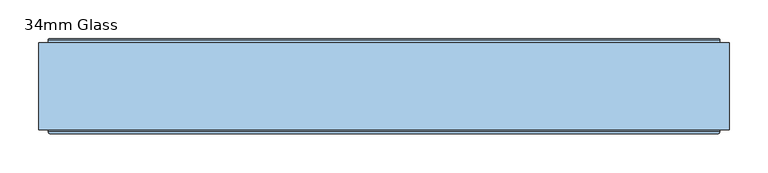
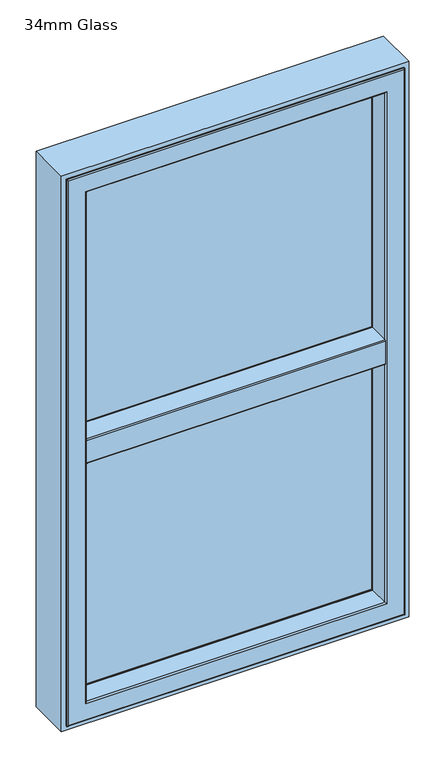
"""IFC4 building model written with IfcOpenShell, lengths in millimetres: window geometry, 34mm Glass."""

from ifc_helpers import new_model, si_unit, frame, origin, place, context, project, spatial, polyline, circle_curve, ellipse_curve, outline, extrude, source, transform, mapped, element, save
from ifc_brep_helpers import plane_surface, cylinder_surface, revolved_surface, advanced_brep


def window_34mm_glass_602d5171(model_context):
    return source(origin(), model_context, "Body", "SolidModel", [
        extrude(outline(polyline([(396.0, 94.010944), (-396.0, 94.010944), (-396.0, 128.010944), (396.0, 128.010944), (396.0, 94.010944)])), frame((0.0, 0.0, 1557.0), z_axis=(0.0, 0.0, 1.0), x_axis=(1.0, 0.0, 0.0)), (0.0, 0.0, 1.0), 695.0),
        advanced_brep(
        [(382.0, 129.3448353, 2238.0), (389.1686313, 152.7923717, 2245.1686313), (389.1686313, 152.7923717, 1563.8313687), (382.0, 129.3448353, 1571.0), (382.0, 128.010944, 2238.0), (382.0, 128.010944, 1571.0), (396.0, 94.0, 2252.0), (396.0, 128.010944, 2252.0), (396.0, 128.010944, 1557.0), (396.0, 94.0, 1557.0), (382.0, 91.0, 2238.0), (382.0, 94.0, 2238.0), (382.0, 94.0, 1571.0), (382.0, 91.0, 1571.0), (406.822025, 146.5609347, 2262.822025), (400.0, 91.0, 2256.0), (400.0, 91.0, 1553.0), (406.822025, 146.5609347, 1546.177975), (407.6, 148.2, 2263.6), (407.6, 148.2, 1545.4), (407.6, 151.5, 2263.6), (407.6, 151.5, 1545.4), (403.22, 152.5, 2259.22), (403.22, 151.5, 2259.22), (403.22, 151.5, 1549.78), (403.22, 152.5, 1549.78), (402.22, 153.5, 2258.22), (402.22, 153.5, 1550.78), (390.124936, 153.5, 2246.124936), (390.124936, 153.5, 1562.875064), (-389.1686313, 152.7923717, 1563.8313687), (-382.0, 129.3448353, 1571.0), (-382.0, 128.010944, 1571.0), (-396.0, 128.010944, 1557.0), (-396.0, 94.0, 1557.0), (-382.0, 94.0, 1571.0), (-382.0, 91.0, 1571.0), (-400.0, 91.0, 1553.0), (-406.822025, 146.5609347, 1546.177975), (-407.6, 148.2, 1545.4), (-407.6, 151.5, 1545.4), (-403.22, 151.5, 1549.78), (-403.22, 152.5, 1549.78), (-402.22, 153.5, 1550.78), (-390.124936, 153.5, 1562.875064), (-389.1686313, 152.7923717, 2245.1686313), (-382.0, 129.3448353, 2238.0), (-382.0, 128.010944, 2238.0), (-396.0, 128.010944, 2252.0), (-396.0, 94.0, 2252.0), (-382.0, 94.0, 2238.0), (-382.0, 91.0, 2238.0), (-400.0, 91.0, 2256.0), (-406.822025, 146.5609347, 2262.822025), (-407.6, 148.2, 2263.6), (-407.6, 151.5, 2263.6), (-403.22, 151.5, 2259.22), (-403.22, 152.5, 2259.22), (-402.22, 153.5, 2258.22), (-390.124936, 153.5, 2246.124936)],
        [
            (0, 1),
            (1, 2),
            (2, 3),
            (3, 0),
            (4, 0),
            (3, 5),
            (5, 4),
            (6, 7),
            (7, 8),
            (8, 9),
            (9, 6),
            (10, 11),
            (11, 12),
            (12, 13),
            (13, 10),
            (14, 15),
            (15, 16),
            (16, 17),
            (17, 14),
            (18, 14),
            (17, 19),
            (19, 18),
            (20, 18),
            (19, 21),
            (21, 20),
            (22, 23),
            (23, 24),
            (24, 25),
            (25, 22),
            (26, 22, ellipse_curve(frame((402.22, 152.5, 2258.22), z_axis=(0.7071067811865475, 0.0, -0.7071067811865475), x_axis=(0.7071067811865474, 0.0, 0.7071067811865476)), 1.4142136, 1.0)),
            (25, 27, ellipse_curve(frame((402.22, 152.5, 1550.78), z_axis=(0.7071067811865475, 0.0, 0.7071067811865475), x_axis=(-0.7071067811865474, 0.0, 0.7071067811865476)), 1.4142136, 1.0)),
            (27, 26),
            (1, 28, ellipse_curve(frame((390.124936, 152.5, 2246.124936), z_axis=(0.7071067811865475, 0.0, -0.7071067811865475), x_axis=(0.7071067811865474, 0.0, 0.7071067811865476)), 1.4142136, 1.0)),
            (28, 29),
            (29, 2, ellipse_curve(frame((390.124936, 152.5, 1562.875064), z_axis=(0.7071067811865475, 0.0, 0.7071067811865475), x_axis=(-0.7071067811865474, 0.0, 0.7071067811865476)), 1.4142136, 1.0)),
            (2, 30),
            (30, 31),
            (31, 3),
            (31, 32),
            (32, 5),
            (8, 33),
            (33, 34),
            (34, 9),
            (12, 35),
            (35, 36),
            (36, 13),
            (16, 37),
            (37, 38),
            (38, 17),
            (38, 39),
            (39, 19),
            (39, 40),
            (40, 21),
            (24, 41),
            (41, 42),
            (42, 25),
            (42, 43, ellipse_curve(frame((-402.22, 152.5, 1550.78), z_axis=(0.7071067811865475, 0.0, -0.7071067811865475), x_axis=(0.7071067811865476, 0.0, 0.7071067811865474)), 1.4142136, 1.0)),
            (43, 27),
            (29, 44),
            (44, 30, ellipse_curve(frame((-390.124936, 152.5, 1562.875064), z_axis=(0.7071067811865475, 0.0, -0.7071067811865475), x_axis=(0.7071067811865476, 0.0, 0.7071067811865474)), 1.4142136, 1.0)),
            (30, 45),
            (45, 46),
            (46, 31),
            (46, 47),
            (47, 32),
            (33, 48),
            (48, 49),
            (49, 34),
            (35, 50),
            (50, 51),
            (51, 36),
            (37, 52),
            (52, 53),
            (53, 38),
            (53, 54),
            (54, 39),
            (54, 55),
            (55, 40),
            (41, 56),
            (56, 57),
            (57, 42),
            (57, 58, ellipse_curve(frame((-402.22, 152.5, 2258.22), z_axis=(-0.7071067811865475, 0.0, -0.7071067811865475), x_axis=(0.7071067811865474, 0.0, -0.7071067811865476)), 1.4142136, 1.0)),
            (58, 43),
            (44, 59),
            (59, 45, ellipse_curve(frame((-390.124936, 152.5, 2246.124936), z_axis=(-0.7071067811865475, 0.0, -0.7071067811865475), x_axis=(0.7071067811865474, 0.0, -0.7071067811865476)), 1.4142136, 1.0)),
            (45, 1),
            (0, 46),
            (4, 47),
            (7, 48),
            (6, 49),
            (11, 50),
            (10, 51),
            (15, 52),
            (14, 53),
            (18, 54),
            (20, 55),
            (23, 56),
            (22, 57),
            (26, 58),
            (28, 59),
        ],
        [
            plane_surface(frame((389.1686313, 152.7923717, 2245.1686313), z_axis=(-0.956304755963033, 0.292371704722745, 0.0), x_axis=(0.0, 0.0, -1.0))),
            plane_surface(frame((382.0, 129.3448353, 2238.0), z_axis=(-1.0, 0.0, 0.0), x_axis=(0.0, 0.0, -1.0))),
            plane_surface(frame((396.0, 128.010944, 2252.0), z_axis=(-1.0, 0.0, 0.0), x_axis=(0.0, 0.0, -1.0))),
            plane_surface(frame((382.0, 94.0, 2238.0), z_axis=(-1.0, 0.0, 0.0), x_axis=(0.0, 0.0, -1.0))),
            plane_surface(frame((400.0, 91.0, 2256.0), z_axis=(0.9925461516413232, -0.1218693434051386, 0.0), x_axis=(0.0, 0.0, -1.0))),
            plane_surface(frame((406.822025, 146.5609347, 2262.822025), z_axis=(0.9034015732556399, -0.4287955193786835, 0.0), x_axis=(0.0, 0.0, -1.0))),
            plane_surface(frame((407.6, 148.2, 2263.6), z_axis=(1.0, 0.0, 0.0), x_axis=(0.0, 0.0, -1.0))),
            plane_surface(frame((403.22, 151.5, 2259.22), z_axis=(1.0, 0.0, 0.0), x_axis=(0.0, 0.0, -1.0))),
            cylinder_surface(frame((402.22, 152.5, 2288.0), z_axis=(0.0, 0.0, 1.0), x_axis=(0.0, -1.0, 0.0)), 1.0),
            cylinder_surface(frame((390.124936, 152.5, 2288.0), z_axis=(0.0, 0.0, 1.0), x_axis=(0.0, -1.0, 0.0)), 1.0),
            plane_surface(frame((389.1686313, 152.7923717, 1563.8313687), z_axis=(0.0, 0.292371704722745, 0.956304755963033), x_axis=(-1.0, 0.0, 0.0))),
            plane_surface(frame((382.0, 129.3448353, 1571.0), z_axis=(0.0, 0.0, 1.0), x_axis=(-1.0, 0.0, 0.0))),
            plane_surface(frame((396.0, 128.010944, 1557.0), z_axis=(0.0, 0.0, 1.0), x_axis=(-1.0, 0.0, 0.0))),
            plane_surface(frame((382.0, 94.0, 1571.0), z_axis=(0.0, 0.0, 1.0), x_axis=(-1.0, 0.0, 0.0))),
            plane_surface(frame((400.0, 91.0, 1553.0), z_axis=(0.0, -0.1218693434051386, -0.9925461516413232), x_axis=(-1.0, 0.0, 0.0))),
            plane_surface(frame((406.822025, 146.5609347, 1546.177975), z_axis=(0.0, -0.4287955193786835, -0.9034015732556399), x_axis=(-1.0, 0.0, 0.0))),
            plane_surface(frame((407.6, 148.2, 1545.4), z_axis=(0.0, 0.0, -1.0), x_axis=(-1.0, 0.0, 0.0))),
            plane_surface(frame((403.22, 151.5, 1549.78), z_axis=(0.0, 0.0, -1.0), x_axis=(-1.0, 0.0, 0.0))),
            cylinder_surface(frame((432.0, 152.5, 1550.78), z_axis=(1.0, 0.0, 0.0), x_axis=(0.0, -1.0, 0.0)), 1.0),
            cylinder_surface(frame((432.0, 152.5, 1562.875064), z_axis=(1.0, 0.0, 0.0), x_axis=(0.0, -1.0, 0.0)), 1.0),
            plane_surface(frame((-389.1686313, 152.7923717, 1563.8313687), z_axis=(0.956304755963033, 0.292371704722745, 0.0), x_axis=(0.0, 0.0, 1.0))),
            plane_surface(frame((-382.0, 129.3448353, 1571.0), z_axis=(1.0, 0.0, 0.0), x_axis=(0.0, 0.0, 1.0))),
            plane_surface(frame((-396.0, 128.010944, 1557.0), z_axis=(1.0, 0.0, 0.0), x_axis=(0.0, 0.0, 1.0))),
            plane_surface(frame((-382.0, 94.0, 1571.0), z_axis=(1.0, 0.0, 0.0), x_axis=(0.0, 0.0, 1.0))),
            plane_surface(frame((-400.0, 91.0, 1553.0), z_axis=(-0.9925461516413232, -0.1218693434051386, 0.0), x_axis=(0.0, 0.0, 1.0))),
            plane_surface(frame((-406.822025, 146.5609347, 1546.177975), z_axis=(-0.9034015732556399, -0.4287955193786835, 0.0), x_axis=(0.0, 0.0, 1.0))),
            plane_surface(frame((-407.6, 148.2, 1545.4), z_axis=(-1.0, 0.0, 0.0), x_axis=(0.0, 0.0, 1.0))),
            plane_surface(frame((-403.22, 151.5, 1549.78), z_axis=(-1.0, 0.0, 0.0), x_axis=(0.0, 0.0, 1.0))),
            cylinder_surface(frame((-402.22, 152.5, 1521.0), z_axis=(0.0, 0.0, -1.0), x_axis=(0.0, -1.0, 0.0)), 1.0),
            cylinder_surface(frame((-390.124936, 152.5, 1521.0), z_axis=(0.0, 0.0, -1.0), x_axis=(0.0, -1.0, 0.0)), 1.0),
            plane_surface(frame((-389.1686313, 152.7923717, 2245.1686313), z_axis=(0.0, 0.292371704722745, -0.956304755963033), x_axis=(1.0, 0.0, 0.0))),
            plane_surface(frame((-382.0, 129.3448353, 2238.0), z_axis=(0.0, 0.0, -1.0), x_axis=(1.0, 0.0, 0.0))),
            plane_surface(frame((-382.0, 128.010944, 2238.0), z_axis=(0.0, -1.0, 0.0), x_axis=(1.0, 0.0, 0.0))),
            plane_surface(frame((-396.0, 128.010944, 2252.0), z_axis=(0.0, 0.0, -1.0), x_axis=(1.0, 0.0, 0.0))),
            plane_surface(frame((-396.0, 94.0, 2252.0), z_axis=(0.0, 1.0, 0.0), x_axis=(1.0, 0.0, 0.0))),
            plane_surface(frame((-382.0, 94.0, 2238.0), z_axis=(0.0, 0.0, -1.0), x_axis=(1.0, 0.0, 0.0))),
            plane_surface(frame((-382.0, 91.0, 2238.0), z_axis=(0.0, -1.0, 0.0), x_axis=(1.0, 0.0, 0.0))),
            plane_surface(frame((-400.0, 91.0, 2256.0), z_axis=(0.0, -0.1218693434051386, 0.9925461516413232), x_axis=(1.0, 0.0, 0.0))),
            plane_surface(frame((-406.822025, 146.5609347, 2262.822025), z_axis=(0.0, -0.4287955193786835, 0.9034015732556399), x_axis=(1.0, 0.0, 0.0))),
            plane_surface(frame((-407.6, 148.2, 2263.6), z_axis=(0.0, 0.0, 1.0), x_axis=(1.0, 0.0, 0.0))),
            plane_surface(frame((-407.6, 151.5, 2263.6), z_axis=(0.0, 1.0, 0.0), x_axis=(1.0, 0.0, 0.0))),
            plane_surface(frame((-403.22, 151.5, 2259.22), z_axis=(0.0, 0.0, 1.0), x_axis=(1.0, 0.0, 0.0))),
            cylinder_surface(frame((-432.0, 152.5, 2258.22), z_axis=(-1.0, 0.0, 0.0), x_axis=(0.0, -1.0, 0.0)), 1.0),
            plane_surface(frame((-402.22, 153.5, 2258.22), z_axis=(0.0, 1.0, 0.0), x_axis=(1.0, 0.0, 0.0))),
            cylinder_surface(frame((-432.0, 152.5, 2246.124936), z_axis=(-1.0, 0.0, 0.0), x_axis=(0.0, -1.0, 0.0)), 1.0),
        ],
        [
            (0, [[1, 2, 3, 4]]),
            (1, [[5, -4, 6, 7]]),
            (2, [[8, 9, 10, 11]]),
            (3, [[12, 13, 14, 15]]),
            (4, [[16, 17, 18, 19]]),
            (5, [[20, -19, 21, 22]]),
            (6, [[23, -22, 24, 25]]),
            (7, [[26, 27, 28, 29]]),
            (8, [[30, -29, 31, 32]]),
            (9, [[33, 34, 35, -2]]),
            (10, [[-3, 36, 37, 38]]),
            (11, [[-6, -38, 39, 40]]),
            (12, [[-10, 41, 42, 43]]),
            (13, [[-14, 44, 45, 46]]),
            (14, [[-18, 47, 48, 49]]),
            (15, [[-21, -49, 50, 51]]),
            (16, [[-24, -51, 52, 53]]),
            (17, [[-28, 54, 55, 56]]),
            (18, [[-31, -56, 57, 58]]),
            (19, [[-35, 59, 60, -36]]),
            (20, [[-37, 61, 62, 63]]),
            (21, [[-39, -63, 64, 65]]),
            (22, [[-42, 66, 67, 68]]),
            (23, [[-45, 69, 70, 71]]),
            (24, [[-48, 72, 73, 74]]),
            (25, [[-50, -74, 75, 76]]),
            (26, [[-52, -76, 77, 78]]),
            (27, [[-55, 79, 80, 81]]),
            (28, [[-57, -81, 82, 83]]),
            (29, [[-60, 84, 85, -61]]),
            (30, [[-62, 86, -1, 87]]),
            (31, [[-64, -87, -5, 88]]),
            (32, [[89, -66, -41, -9], [-40, -65, -88, -7]]),
            (33, [[-67, -89, -8, 90]]),
            (34, [[-43, -68, -90, -11], [91, -69, -44, -13]]),
            (35, [[-70, -91, -12, 92]]),
            (36, [[93, -72, -47, -17], [-46, -71, -92, -15]]),
            (37, [[-73, -93, -16, 94]]),
            (38, [[-75, -94, -20, 95]]),
            (39, [[-77, -95, -23, 96]]),
            (40, [[-53, -78, -96, -25], [97, -79, -54, -27]]),
            (41, [[-80, -97, -26, 98]]),
            (42, [[-82, -98, -30, 99]]),
            (43, [[-58, -83, -99, -32], [100, -84, -59, -34]]),
            (44, [[-85, -100, -33, -86]]),
        ],
    ),
        extrude(outline(polyline([(396.0, 94.010944), (-396.0, 94.010944), (-396.0, 128.010944), (396.0, 128.010944), (396.0, 94.010944)])), frame((0.0, 0.0, 848.0), z_axis=(0.0, 0.0, 1.0), x_axis=(1.0, 0.0, 0.0)), (0.0, 0.0, 1.0), 671.0),
        advanced_brep(
        [(382.0, 129.3448353, 1505.0), (389.1686313, 152.7923717, 1512.1686313), (389.1686313, 152.7923717, 854.8313687), (382.0, 129.3448353, 862.0), (382.0, 128.010944, 1505.0), (382.0, 128.010944, 862.0), (396.0, 94.0, 1519.0), (396.0, 128.010944, 1519.0), (396.0, 128.010944, 848.0), (396.0, 94.0, 848.0), (382.0, 91.0, 1505.0), (382.0, 94.0, 1505.0), (382.0, 94.0, 862.0), (382.0, 91.0, 862.0), (406.822025, 146.5609347, 1529.822025), (400.0, 91.0, 1523.0), (400.0, 91.0, 844.0), (406.822025, 146.5609347, 837.177975), (407.6, 148.2, 1530.6), (407.6, 148.2, 836.4), (407.6, 151.5, 1530.6), (407.6, 151.5, 836.4), (403.22, 152.5, 1526.22), (403.22, 151.5, 1526.22), (403.22, 151.5, 840.78), (403.22, 152.5, 840.78), (402.22, 153.5, 1525.22), (402.22, 153.5, 841.78), (390.124936, 153.5, 1513.124936), (390.124936, 153.5, 853.875064), (-389.1686313, 152.7923717, 854.8313687), (-382.0, 129.3448353, 862.0), (-382.0, 128.010944, 862.0), (-396.0, 128.010944, 848.0), (-396.0, 94.0, 848.0), (-382.0, 94.0, 862.0), (-382.0, 91.0, 862.0), (-400.0, 91.0, 844.0), (-406.822025, 146.5609347, 837.177975), (-407.6, 148.2, 836.4), (-407.6, 151.5, 836.4), (-403.22, 151.5, 840.78), (-403.22, 152.5, 840.78), (-402.22, 153.5, 841.78), (-390.124936, 153.5, 853.875064), (-389.1686313, 152.7923717, 1512.1686313), (-382.0, 129.3448353, 1505.0), (-382.0, 128.010944, 1505.0), (-396.0, 128.010944, 1519.0), (-396.0, 94.0, 1519.0), (-382.0, 94.0, 1505.0), (-382.0, 91.0, 1505.0), (-400.0, 91.0, 1523.0), (-406.822025, 146.5609347, 1529.822025), (-407.6, 148.2, 1530.6), (-407.6, 151.5, 1530.6), (-403.22, 151.5, 1526.22), (-403.22, 152.5, 1526.22), (-402.22, 153.5, 1525.22), (-390.124936, 153.5, 1513.124936)],
        [
            (0, 1),
            (1, 2),
            (2, 3),
            (3, 0),
            (4, 0),
            (3, 5),
            (5, 4),
            (6, 7),
            (7, 8),
            (8, 9),
            (9, 6),
            (10, 11),
            (11, 12),
            (12, 13),
            (13, 10),
            (14, 15),
            (15, 16),
            (16, 17),
            (17, 14),
            (18, 14),
            (17, 19),
            (19, 18),
            (20, 18),
            (19, 21),
            (21, 20),
            (22, 23),
            (23, 24),
            (24, 25),
            (25, 22),
            (26, 22, ellipse_curve(frame((402.22, 152.5, 1525.22), z_axis=(0.7071067811865475, 0.0, -0.7071067811865475), x_axis=(0.7071067811865474, 0.0, 0.7071067811865476)), 1.4142136, 1.0)),
            (25, 27, ellipse_curve(frame((402.22, 152.5, 841.78), z_axis=(0.7071067811865475, 0.0, 0.7071067811865475), x_axis=(-0.7071067811865474, 0.0, 0.7071067811865476)), 1.4142136, 1.0)),
            (27, 26),
            (1, 28, ellipse_curve(frame((390.124936, 152.5, 1513.124936), z_axis=(0.7071067811865475, 0.0, -0.7071067811865475), x_axis=(0.7071067811865474, 0.0, 0.7071067811865476)), 1.4142136, 1.0)),
            (28, 29),
            (29, 2, ellipse_curve(frame((390.124936, 152.5, 853.875064), z_axis=(0.7071067811865475, 0.0, 0.7071067811865475), x_axis=(-0.7071067811865474, 0.0, 0.7071067811865476)), 1.4142136, 1.0)),
            (2, 30),
            (30, 31),
            (31, 3),
            (31, 32),
            (32, 5),
            (8, 33),
            (33, 34),
            (34, 9),
            (12, 35),
            (35, 36),
            (36, 13),
            (16, 37),
            (37, 38),
            (38, 17),
            (38, 39),
            (39, 19),
            (39, 40),
            (40, 21),
            (24, 41),
            (41, 42),
            (42, 25),
            (42, 43, ellipse_curve(frame((-402.22, 152.5, 841.78), z_axis=(0.7071067811865475, 0.0, -0.7071067811865475), x_axis=(0.7071067811865476, 0.0, 0.7071067811865474)), 1.4142136, 1.0)),
            (43, 27),
            (29, 44),
            (44, 30, ellipse_curve(frame((-390.124936, 152.5, 853.875064), z_axis=(0.7071067811865475, 0.0, -0.7071067811865475), x_axis=(0.7071067811865476, 0.0, 0.7071067811865474)), 1.4142136, 1.0)),
            (30, 45),
            (45, 46),
            (46, 31),
            (46, 47),
            (47, 32),
            (33, 48),
            (48, 49),
            (49, 34),
            (35, 50),
            (50, 51),
            (51, 36),
            (37, 52),
            (52, 53),
            (53, 38),
            (53, 54),
            (54, 39),
            (54, 55),
            (55, 40),
            (41, 56),
            (56, 57),
            (57, 42),
            (57, 58, ellipse_curve(frame((-402.22, 152.5, 1525.22), z_axis=(-0.7071067811865475, 0.0, -0.7071067811865475), x_axis=(0.7071067811865474, 0.0, -0.7071067811865476)), 1.4142136, 1.0)),
            (58, 43),
            (44, 59),
            (59, 45, ellipse_curve(frame((-390.124936, 152.5, 1513.124936), z_axis=(-0.7071067811865475, 0.0, -0.7071067811865475), x_axis=(0.7071067811865474, 0.0, -0.7071067811865476)), 1.4142136, 1.0)),
            (45, 1),
            (0, 46),
            (4, 47),
            (7, 48),
            (6, 49),
            (11, 50),
            (10, 51),
            (15, 52),
            (14, 53),
            (18, 54),
            (20, 55),
            (23, 56),
            (22, 57),
            (26, 58),
            (28, 59),
        ],
        [
            plane_surface(frame((389.1686313, 152.7923717, 1512.1686313), z_axis=(-0.956304755963033, 0.292371704722745, 0.0), x_axis=(0.0, 0.0, -1.0))),
            plane_surface(frame((382.0, 129.3448353, 1505.0), z_axis=(-1.0, 0.0, 0.0), x_axis=(0.0, 0.0, -1.0))),
            plane_surface(frame((396.0, 128.010944, 1519.0), z_axis=(-1.0, 0.0, 0.0), x_axis=(0.0, 0.0, -1.0))),
            plane_surface(frame((382.0, 94.0, 1505.0), z_axis=(-1.0, 0.0, 0.0), x_axis=(0.0, 0.0, -1.0))),
            plane_surface(frame((400.0, 91.0, 1523.0), z_axis=(0.9925461516413232, -0.1218693434051386, 0.0), x_axis=(0.0, 0.0, -1.0))),
            plane_surface(frame((406.822025, 146.5609347, 1529.822025), z_axis=(0.9034015732556399, -0.4287955193786835, 0.0), x_axis=(0.0, 0.0, -1.0))),
            plane_surface(frame((407.6, 148.2, 1530.6), z_axis=(1.0, 0.0, 0.0), x_axis=(0.0, 0.0, -1.0))),
            plane_surface(frame((403.22, 151.5, 1526.22), z_axis=(1.0, 0.0, 0.0), x_axis=(0.0, 0.0, -1.0))),
            cylinder_surface(frame((402.22, 152.5, 1555.0), z_axis=(0.0, 0.0, 1.0), x_axis=(0.0, -1.0, 0.0)), 1.0),
            cylinder_surface(frame((390.124936, 152.5, 1555.0), z_axis=(0.0, 0.0, 1.0), x_axis=(0.0, -1.0, 0.0)), 1.0),
            plane_surface(frame((389.1686313, 152.7923717, 854.8313687), z_axis=(0.0, 0.292371704722745, 0.956304755963033), x_axis=(-1.0, 0.0, 0.0))),
            plane_surface(frame((382.0, 129.3448353, 862.0), z_axis=(0.0, 0.0, 1.0), x_axis=(-1.0, 0.0, 0.0))),
            plane_surface(frame((396.0, 128.010944, 848.0), z_axis=(0.0, 0.0, 1.0), x_axis=(-1.0, 0.0, 0.0))),
            plane_surface(frame((382.0, 94.0, 862.0), z_axis=(0.0, 0.0, 1.0), x_axis=(-1.0, 0.0, 0.0))),
            plane_surface(frame((400.0, 91.0, 844.0), z_axis=(0.0, -0.1218693434051386, -0.9925461516413232), x_axis=(-1.0, 0.0, 0.0))),
            plane_surface(frame((406.822025, 146.5609347, 837.177975), z_axis=(0.0, -0.4287955193786835, -0.9034015732556399), x_axis=(-1.0, 0.0, 0.0))),
            plane_surface(frame((407.6, 148.2, 836.4), z_axis=(0.0, 0.0, -1.0), x_axis=(-1.0, 0.0, 0.0))),
            plane_surface(frame((403.22, 151.5, 840.78), z_axis=(0.0, 0.0, -1.0), x_axis=(-1.0, 0.0, 0.0))),
            cylinder_surface(frame((432.0, 152.5, 841.78), z_axis=(1.0, 0.0, 0.0), x_axis=(0.0, -1.0, 0.0)), 1.0),
            cylinder_surface(frame((432.0, 152.5, 853.875064), z_axis=(1.0, 0.0, 0.0), x_axis=(0.0, -1.0, 0.0)), 1.0),
            plane_surface(frame((-389.1686313, 152.7923717, 854.8313687), z_axis=(0.956304755963033, 0.292371704722745, 0.0), x_axis=(0.0, 0.0, 1.0))),
            plane_surface(frame((-382.0, 129.3448353, 862.0), z_axis=(1.0, 0.0, 0.0), x_axis=(0.0, 0.0, 1.0))),
            plane_surface(frame((-396.0, 128.010944, 848.0), z_axis=(1.0, 0.0, 0.0), x_axis=(0.0, 0.0, 1.0))),
            plane_surface(frame((-382.0, 94.0, 862.0), z_axis=(1.0, 0.0, 0.0), x_axis=(0.0, 0.0, 1.0))),
            plane_surface(frame((-400.0, 91.0, 844.0), z_axis=(-0.9925461516413232, -0.1218693434051386, 0.0), x_axis=(0.0, 0.0, 1.0))),
            plane_surface(frame((-406.822025, 146.5609347, 837.177975), z_axis=(-0.9034015732556399, -0.4287955193786835, 0.0), x_axis=(0.0, 0.0, 1.0))),
            plane_surface(frame((-407.6, 148.2, 836.4), z_axis=(-1.0, 0.0, 0.0), x_axis=(0.0, 0.0, 1.0))),
            plane_surface(frame((-403.22, 151.5, 840.78), z_axis=(-1.0, 0.0, 0.0), x_axis=(0.0, 0.0, 1.0))),
            cylinder_surface(frame((-402.22, 152.5, 812.0), z_axis=(0.0, 0.0, -1.0), x_axis=(0.0, -1.0, 0.0)), 1.0),
            cylinder_surface(frame((-390.124936, 152.5, 812.0), z_axis=(0.0, 0.0, -1.0), x_axis=(0.0, -1.0, 0.0)), 1.0),
            plane_surface(frame((-389.1686313, 152.7923717, 1512.1686313), z_axis=(0.0, 0.292371704722745, -0.956304755963033), x_axis=(1.0, 0.0, 0.0))),
            plane_surface(frame((-382.0, 129.3448353, 1505.0), z_axis=(0.0, 0.0, -1.0), x_axis=(1.0, 0.0, 0.0))),
            plane_surface(frame((-382.0, 128.010944, 1505.0), z_axis=(0.0, -1.0, 0.0), x_axis=(1.0, 0.0, 0.0))),
            plane_surface(frame((-396.0, 128.010944, 1519.0), z_axis=(0.0, 0.0, -1.0), x_axis=(1.0, 0.0, 0.0))),
            plane_surface(frame((-396.0, 94.0, 1519.0), z_axis=(0.0, 1.0, 0.0), x_axis=(1.0, 0.0, 0.0))),
            plane_surface(frame((-382.0, 94.0, 1505.0), z_axis=(0.0, 0.0, -1.0), x_axis=(1.0, 0.0, 0.0))),
            plane_surface(frame((-382.0, 91.0, 1505.0), z_axis=(0.0, -1.0, 0.0), x_axis=(1.0, 0.0, 0.0))),
            plane_surface(frame((-400.0, 91.0, 1523.0), z_axis=(0.0, -0.1218693434051386, 0.9925461516413232), x_axis=(1.0, 0.0, 0.0))),
            plane_surface(frame((-406.822025, 146.5609347, 1529.822025), z_axis=(0.0, -0.4287955193786835, 0.9034015732556399), x_axis=(1.0, 0.0, 0.0))),
            plane_surface(frame((-407.6, 148.2, 1530.6), z_axis=(0.0, 0.0, 1.0), x_axis=(1.0, 0.0, 0.0))),
            plane_surface(frame((-407.6, 151.5, 1530.6), z_axis=(0.0, 1.0, 0.0), x_axis=(1.0, 0.0, 0.0))),
            plane_surface(frame((-403.22, 151.5, 1526.22), z_axis=(0.0, 0.0, 1.0), x_axis=(1.0, 0.0, 0.0))),
            cylinder_surface(frame((-432.0, 152.5, 1525.22), z_axis=(-1.0, 0.0, 0.0), x_axis=(0.0, -1.0, 0.0)), 1.0),
            plane_surface(frame((-402.22, 153.5, 1525.22), z_axis=(0.0, 1.0, 0.0), x_axis=(1.0, 0.0, 0.0))),
            cylinder_surface(frame((-432.0, 152.5, 1513.124936), z_axis=(-1.0, 0.0, 0.0), x_axis=(0.0, -1.0, 0.0)), 1.0),
        ],
        [
            (0, [[1, 2, 3, 4]]),
            (1, [[5, -4, 6, 7]]),
            (2, [[8, 9, 10, 11]]),
            (3, [[12, 13, 14, 15]]),
            (4, [[16, 17, 18, 19]]),
            (5, [[20, -19, 21, 22]]),
            (6, [[23, -22, 24, 25]]),
            (7, [[26, 27, 28, 29]]),
            (8, [[30, -29, 31, 32]]),
            (9, [[33, 34, 35, -2]]),
            (10, [[-3, 36, 37, 38]]),
            (11, [[-6, -38, 39, 40]]),
            (12, [[-10, 41, 42, 43]]),
            (13, [[-14, 44, 45, 46]]),
            (14, [[-18, 47, 48, 49]]),
            (15, [[-21, -49, 50, 51]]),
            (16, [[-24, -51, 52, 53]]),
            (17, [[-28, 54, 55, 56]]),
            (18, [[-31, -56, 57, 58]]),
            (19, [[-35, 59, 60, -36]]),
            (20, [[-37, 61, 62, 63]]),
            (21, [[-39, -63, 64, 65]]),
            (22, [[-42, 66, 67, 68]]),
            (23, [[-45, 69, 70, 71]]),
            (24, [[-48, 72, 73, 74]]),
            (25, [[-50, -74, 75, 76]]),
            (26, [[-52, -76, 77, 78]]),
            (27, [[-55, 79, 80, 81]]),
            (28, [[-57, -81, 82, 83]]),
            (29, [[-60, 84, 85, -61]]),
            (30, [[-62, 86, -1, 87]]),
            (31, [[-64, -87, -5, 88]]),
            (32, [[89, -66, -41, -9], [-40, -65, -88, -7]]),
            (33, [[-67, -89, -8, 90]]),
            (34, [[-43, -68, -90, -11], [91, -69, -44, -13]]),
            (35, [[-70, -91, -12, 92]]),
            (36, [[93, -72, -47, -17], [-46, -71, -92, -15]]),
            (37, [[-73, -93, -16, 94]]),
            (38, [[-75, -94, -20, 95]]),
            (39, [[-77, -95, -23, 96]]),
            (40, [[-53, -78, -96, -25], [97, -79, -54, -27]]),
            (41, [[-80, -97, -26, 98]]),
            (42, [[-82, -98, -30, 99]]),
            (43, [[-58, -83, -99, -32], [100, -84, -59, -34]]),
            (44, [[-85, -100, -33, -86]]),
        ],
    ),
        advanced_brep(
        [(382.0, 91.0, 1521.6729121), (382.0, 91.0, 1505.0), (-382.0, 91.0, 1505.0), (-382.0, 91.0, 1521.6729121), (382.0, 35.0, 1505.0), (-382.0, 35.0, 1505.0), (382.0, 32.0, 1508.0), (382.0, 32.0, 1568.0), (-382.0, 32.0, 1568.0), (-382.0, 32.0, 1508.0), (382.0, 35.0, 1571.0), (382.0, 91.0, 1571.0), (-382.0, 91.0, 1571.0), (-382.0, 35.0, 1571.0), (382.0, 91.0, 1554.3270879), (-382.0, 91.0, 1554.3270879), (400.1583253, 92.2894565, 1552.8419376), (406.822025, 146.5609347, 1546.1893048), (-406.822025, 146.5609347, 1546.1893048), (-400.1583253, 92.2894565, 1552.8419376), (406.822025, 146.5609347, 1529.8106952), (400.1583253, 92.2894565, 1523.1580624), (-400.1583253, 92.2894565, 1523.1580624), (-406.822025, 146.5609347, 1529.8106952), (400.0, 91.0, 1521.6729121), (400.0, 91.0, 1554.3270879), (407.6, 153.0, 1545.4), (407.6, 153.0, 1530.6), (407.6, 154.0, 1531.6), (407.6, 154.0, 1544.4), (407.0359197, 148.3029671, 1530.6), (407.0359197, 148.3029671, 1545.4), (-400.0, 91.0, 1554.3270879), (-400.0, 91.0, 1521.6729121), (-407.6, 153.0, 1530.6), (-407.6, 153.0, 1545.4), (-407.6, 154.0, 1544.4), (-407.6, 154.0, 1531.6), (-407.0359197, 148.3029671, 1545.4), (-407.0359197, 148.3029671, 1530.6)],
        [
            (0, 1),
            (1, 2),
            (2, 3),
            (3, 0),
            (1, 4),
            (4, 5),
            (5, 2),
            (6, 7),
            (7, 8),
            (8, 9),
            (9, 6),
            (10, 11),
            (11, 12),
            (12, 13),
            (13, 10),
            (11, 14),
            (14, 15),
            (15, 12),
            (16, 17),
            (17, 18),
            (18, 19),
            (19, 16),
            (20, 21),
            (21, 22),
            (22, 23),
            (23, 20),
            (14, 0),
            (0, 24),
            (24, 25),
            (25, 14),
            (10, 7, circle_curve(frame((382.0, 35.0, 1568.0), z_axis=(1.0, 0.0, 0.0), x_axis=(0.0, 0.0, 1.0)), 3.0)),
            (6, 4, circle_curve(frame((382.0, 35.0, 1508.0), z_axis=(1.0, 0.0, 0.0), x_axis=(0.0, 0.0, 1.0)), 3.0)),
            (26, 27),
            (27, 28, circle_curve(frame((407.6, 153.0, 1531.6), z_axis=(1.0, 0.0, 0.0), x_axis=(0.0, 0.0, 1.0)), 1.0)),
            (28, 29),
            (29, 26, circle_curve(frame((407.6, 153.0, 1544.4), z_axis=(1.0, 0.0, 0.0), x_axis=(0.0, 0.0, 1.0)), 1.0)),
            (24, 21, ellipse_curve(frame((400.1841768, 92.5, 1521.6729121), z_axis=(-0.9925461516413167, 0.12186934340519207, 0.0), x_axis=(0.12186934340519083, 0.9925461516413169, 0.0)), 1.5112647, 1.5)),
            (20, 30),
            (30, 27),
            (26, 31),
            (31, 17),
            (16, 25, ellipse_curve(frame((400.1841768, 92.5, 1554.3270879), z_axis=(-0.9925461516413167, 0.12186934340519207, 0.0), x_axis=(0.12186934340519083, 0.9925461516413169, 0.0)), 1.5112647, 1.5)),
            (3, 15),
            (15, 32),
            (32, 33),
            (33, 3),
            (5, 9, circle_curve(frame((-382.0, 35.0, 1508.0), z_axis=(-1.0, 0.0, 0.0), x_axis=(0.0, 0.0, 1.0)), 3.0)),
            (8, 13, circle_curve(frame((-382.0, 35.0, 1568.0), z_axis=(-1.0, 0.0, 0.0), x_axis=(0.0, 0.0, 1.0)), 3.0)),
            (34, 35),
            (35, 36, circle_curve(frame((-407.6, 153.0, 1544.4), z_axis=(-1.0, 0.0, 0.0), x_axis=(0.0, 0.0, 1.0)), 1.0)),
            (36, 37),
            (37, 34, circle_curve(frame((-407.6, 153.0, 1531.6), z_axis=(-1.0, 0.0, 0.0), x_axis=(0.0, 0.0, 1.0)), 1.0)),
            (32, 19, ellipse_curve(frame((-400.1841768, 92.5, 1554.3270879), z_axis=(0.9925461516413218, 0.12186934340514957, 0.0), x_axis=(0.12186934340514949, -0.9925461516413219, 0.0)), 1.5112647, 1.5)),
            (18, 38),
            (38, 35),
            (34, 39),
            (39, 23),
            (22, 33, ellipse_curve(frame((-400.1841768, 92.5, 1521.6729121), z_axis=(0.9925461516413218, 0.12186934340514957, 0.0), x_axis=(0.12186934340514949, -0.9925461516413219, 0.0)), 1.5112647, 1.5)),
            (31, 38),
            (26, 35),
            (29, 36),
            (28, 37),
            (27, 34),
            (30, 39),
        ],
        [
            plane_surface(frame((-432.0, 91.0, 1521.6729121), z_axis=(0.0, 1.0, 0.0), x_axis=(1.0, 0.0, 0.0))),
            plane_surface(frame((-432.0, 91.0, 1505.0), z_axis=(0.0, 0.0, -1.0), x_axis=(1.0, 0.0, 0.0))),
            plane_surface(frame((-432.0, 32.0, 1508.0), z_axis=(0.0, -1.0, 0.0), x_axis=(1.0, 0.0, 0.0))),
            plane_surface(frame((-432.0, 35.0, 1571.0), z_axis=(0.0, 0.0, 1.0), x_axis=(1.0, 0.0, 0.0))),
            plane_surface(frame((-432.0, 91.0, 1571.0), z_axis=(0.0, 1.0, 0.0), x_axis=(1.0, 0.0, 0.0))),
            plane_surface(frame((-432.0, 92.2894565, 1552.8419376), z_axis=(0.0, 0.12166994625706042, 0.992570614202236), x_axis=(1.0, 0.0, 0.0))),
            plane_surface(frame((-432.0, 146.5609347, 1529.8106952), z_axis=(0.0, 0.12166994625704212, -0.9925706142022382), x_axis=(1.0, 0.0, 0.0))),
            plane_surface(frame((400.0, 91.0, 1788.0), z_axis=(0.0, -1.0, 0.0), x_axis=(0.0, 0.0, -1.0))),
            plane_surface(frame((382.0, 91.0, 1788.0), z_axis=(1.0, 0.0, 0.0), x_axis=(0.0, 0.0, -1.0))),
            plane_surface(frame((407.6, 154.0, 1788.0), z_axis=(1.0, 0.0, 0.0), x_axis=(0.0, 0.0, -1.0))),
            plane_surface(frame((407.6, 152.8970329, 1788.0), z_axis=(0.9925461516413167, -0.12186934340519207, 0.0), x_axis=(0.0, 0.0, -1.0))),
            plane_surface(frame((-382.0, 91.0, 1788.0), z_axis=(0.0, -1.0, 0.0), x_axis=(0.0, 0.0, -1.0))),
            plane_surface(frame((-382.0, 32.0, 1788.0), z_axis=(-1.0, 0.0, 0.0), x_axis=(0.0, 0.0, -1.0))),
            plane_surface(frame((-407.6, 152.8970329, 1788.0), z_axis=(-1.0, 0.0, 0.0), x_axis=(0.0, 0.0, -1.0))),
            plane_surface(frame((-400.0, 91.0, 1788.0), z_axis=(-0.9925461516413218, -0.12186934340514957, 0.0), x_axis=(0.0, 0.0, -1.0))),
            revolved_surface(polyline([(400.3683536367004, 92.5, 1523.1729121), (-400.36835363670036, 92.5, 1523.1729121)]), (432.0, 92.5, 1521.6729121), (1.0, 0.0, 0.0)),
            cylinder_surface(frame((432.0, 35.0, 1508.0), z_axis=(-1.0, 0.0, 0.0), x_axis=(0.0, 0.0, 1.0)), 3.0),
            cylinder_surface(frame((432.0, 35.0, 1568.0), z_axis=(-1.0, 0.0, 0.0), x_axis=(0.0, 0.0, 1.0)), 3.0),
            revolved_surface(polyline([(400.3683536367004, 92.5, 1555.8270879), (-400.36835363670036, 92.5, 1555.8270879)]), (432.0, 92.5, 1554.3270879), (1.0, 0.0, 0.0)),
            plane_surface(frame((-432.0, 146.5609347, 1546.1893048), z_axis=(0.0, 0.4127070888885561, 0.9108637981504883), x_axis=(1.0, 0.0, 0.0))),
            plane_surface(frame((-432.0, 148.3029671, 1545.4), z_axis=(0.0, 0.0, 1.0), x_axis=(1.0, 0.0, 0.0))),
            cylinder_surface(frame((432.0, 153.0, 1544.4), z_axis=(-1.0, 0.0, 0.0), x_axis=(0.0, 0.0, 1.0)), 1.0),
            plane_surface(frame((-432.0, 154.0, 1544.4), z_axis=(0.0, 1.0, 0.0), x_axis=(1.0, 0.0, 0.0))),
            cylinder_surface(frame((432.0, 153.0, 1531.6), z_axis=(-1.0, 0.0, 0.0), x_axis=(0.0, 0.0, 1.0)), 1.0),
            plane_surface(frame((-432.0, 153.0, 1530.6), z_axis=(0.0, 0.0, -1.0), x_axis=(1.0, 0.0, 0.0))),
            plane_surface(frame((-432.0, 148.3029671, 1530.6), z_axis=(0.0, 0.41270708890017077, -0.9108637981452258), x_axis=(1.0, 0.0, 0.0))),
        ],
        [
            (0, [[1, 2, 3, 4]]),
            (1, [[5, 6, 7, -2]]),
            (2, [[8, 9, 10, 11]]),
            (3, [[12, 13, 14, 15]]),
            (4, [[16, 17, 18, -13]]),
            (5, [[19, 20, 21, 22]]),
            (6, [[23, 24, 25, 26]]),
            (7, [[27, 28, 29, 30]]),
            (8, [[-27, -16, -12, 31, -8, 32, -5, -1]]),
            (9, [[33, 34, 35, 36]]),
            (10, [[-29, 37, -23, 38, 39, -33, 40, 41, -19, 42]]),
            (11, [[43, 44, 45, 46]]),
            (12, [[-43, -3, -7, 47, -10, 48, -14, -18]]),
            (13, [[49, 50, 51, 52]]),
            (14, [[-45, 53, -21, 54, 55, -49, 56, 57, -25, 58]]),
            (15, [[-28, -4, -46, -58, -24, -37]]),
            (16, [[-32, -11, -47, -6]]),
            (17, [[-31, -15, -48, -9]]),
            (18, [[-30, -42, -22, -53, -44, -17]]),
            (19, [[-41, 59, -54, -20]]),
            (20, [[-40, 60, -55, -59]]),
            (21, [[-36, 61, -50, -60]]),
            (22, [[-35, 62, -51, -61]]),
            (23, [[-34, 63, -52, -62]]),
            (24, [[-39, 64, -56, -63]]),
            (25, [[-38, -26, -57, -64]]),
        ],
    ),
        advanced_brep(
        [(-383.5, 91.0, 2239.5), (-382.0, 89.5, 2238.0), (-382.0, 89.5, 862.0), (-383.5, 91.0, 860.5), (-382.0, 35.0, 2238.0), (-382.0, 35.0, 862.0), (382.0, 89.5, 862.0), (383.5, 91.0, 860.5), (398.6498733, 91.0, 2254.6498733), (398.6498733, 91.0, 845.3501267), (-398.6498733, 91.0, 845.3501267), (-398.6498733, 91.0, 2254.6498733), (383.5, 91.0, 2239.5), (-400.1386925, 92.317196, 2256.1386925), (-400.1386925, 92.317196, 843.8613075), (400.1386925, 92.317196, 843.8613075), (-406.7857488, 146.453125, 2262.7857488), (-406.7857488, 146.453125, 837.2142512), (406.7857488, 146.453125, 837.2142512), (407.6, 146.453125, 2263.6), (407.6, 146.453125, 836.4), (-407.6, 146.453125, 836.4), (-407.6, 146.453125, 2263.6), (406.7857488, 146.453125, 2262.7857488), (-407.6, 153.0, 2263.6), (-407.6, 153.0, 836.4), (407.6, 153.0, 836.4), (-408.6, 154.0, 2264.6), (-408.6, 154.0, 835.4), (408.6, 154.0, 835.4), (431.0, 154.0, 2287.0), (431.0, 154.0, 813.0), (-431.0, 154.0, 813.0), (-431.0, 154.0, 2287.0), (408.6, 154.0, 2264.6), (-432.0, 153.0, 2288.0), (-432.0, 153.0, 812.0), (432.0, 153.0, 812.0), (-432.0, 35.0, 2288.0), (-432.0, 35.0, 812.0), (432.0, 35.0, 812.0), (-429.0, 32.0, 2285.0), (-429.0, 32.0, 815.0), (429.0, 32.0, 815.0), (429.0, 32.0, 2285.0), (385.0, 32.0, 2241.0), (385.0, 32.0, 859.0), (-385.0, 32.0, 859.0), (-385.0, 32.0, 2241.0), (382.0, 35.0, 862.0), (382.0, 89.5, 2238.0), (400.1386925, 92.317196, 2256.1386925), (407.6, 153.0, 2263.6), (432.0, 153.0, 2288.0), (432.0, 35.0, 2288.0), (382.0, 35.0, 2238.0)],
        [
            (0, 1, ellipse_curve(frame((-383.5, 89.5, 2239.5), z_axis=(-0.7071067811865475, 0.0, -0.7071067811865475), x_axis=(-0.7071067811865474, 0.0, 0.7071067811865476)), 2.1213203, 1.5)),
            (1, 2),
            (2, 3, ellipse_curve(frame((-383.5, 89.5, 860.5), z_axis=(-0.7071067811865475, 0.0, 0.7071067811865475), x_axis=(0.7071067811865474, 0.0, 0.7071067811865476)), 2.1213203, 1.5)),
            (3, 0),
            (1, 4),
            (4, 5),
            (5, 2),
            (2, 6),
            (6, 7, ellipse_curve(frame((383.5, 89.5, 860.5), z_axis=(-0.7071067811865475, 0.0, -0.7071067811865475), x_axis=(-0.7071067811865476, 0.0, 0.7071067811865474)), 2.1213203, 1.5)),
            (7, 3),
            (8, 9),
            (9, 10),
            (10, 11),
            (11, 8),
            (7, 12),
            (12, 0),
            (13, 11, ellipse_curve(frame((-398.6498733, 92.5, 2254.6498733), z_axis=(0.7071067811865475, 0.0, 0.7071067811865475), x_axis=(0.7071067811865474, 0.0, -0.7071067811865476)), 2.1213203, 1.5)),
            (10, 14, ellipse_curve(frame((-398.6498733, 92.5, 845.3501267), z_axis=(0.7071067811865475, 0.0, -0.7071067811865475), x_axis=(-0.7071067811865474, 0.0, -0.7071067811865476)), 2.1213203, 1.5)),
            (14, 13),
            (9, 15, ellipse_curve(frame((398.6498733, 92.5, 845.3501267), z_axis=(0.7071067811865475, 0.0, 0.7071067811865475), x_axis=(0.7071067811865476, 0.0, -0.7071067811865474)), 2.1213203, 1.5)),
            (15, 14),
            (16, 13),
            (14, 17),
            (17, 16),
            (15, 18),
            (18, 17),
            (19, 20),
            (20, 21),
            (21, 22),
            (22, 19),
            (18, 23),
            (23, 16),
            (24, 22),
            (21, 25),
            (25, 24),
            (20, 26),
            (26, 25),
            (27, 24, ellipse_curve(frame((-408.6, 153.0, 2264.6), z_axis=(-0.7071067811865475, 0.0, -0.7071067811865475), x_axis=(-0.7071067811865474, 0.0, 0.7071067811865476)), 1.4142136, 1.0)),
            (25, 28, ellipse_curve(frame((-408.6, 153.0, 835.4), z_axis=(-0.7071067811865475, 0.0, 0.7071067811865475), x_axis=(0.7071067811865474, 0.0, 0.7071067811865476)), 1.4142136, 1.0)),
            (28, 27),
            (26, 29, ellipse_curve(frame((408.6, 153.0, 835.4), z_axis=(-0.7071067811865475, 0.0, -0.7071067811865475), x_axis=(-0.7071067811865476, 0.0, 0.7071067811865474)), 1.4142136, 1.0)),
            (29, 28),
            (30, 31),
            (31, 32),
            (32, 33),
            (33, 30),
            (29, 34),
            (34, 27),
            (35, 33, ellipse_curve(frame((-431.0, 153.0, 2287.0), z_axis=(-0.7071067811865475, 0.0, -0.7071067811865475), x_axis=(-0.7071067811865474, 0.0, 0.7071067811865476)), 1.4142136, 1.0)),
            (32, 36, ellipse_curve(frame((-431.0, 153.0, 813.0), z_axis=(-0.7071067811865475, 0.0, 0.7071067811865475), x_axis=(0.7071067811865474, 0.0, 0.7071067811865476)), 1.4142136, 1.0)),
            (36, 35),
            (31, 37, ellipse_curve(frame((431.0, 153.0, 813.0), z_axis=(-0.7071067811865475, 0.0, -0.7071067811865475), x_axis=(-0.7071067811865476, 0.0, 0.7071067811865474)), 1.4142136, 1.0)),
            (37, 36),
            (38, 35),
            (36, 39),
            (39, 38),
            (37, 40),
            (40, 39),
            (41, 38, ellipse_curve(frame((-429.0, 35.0, 2285.0), z_axis=(-0.7071067811865475, 0.0, -0.7071067811865475), x_axis=(-0.7071067811865474, 0.0, 0.7071067811865476)), 4.2426407, 3.0)),
            (39, 42, ellipse_curve(frame((-429.0, 35.0, 815.0), z_axis=(-0.7071067811865475, 0.0, 0.7071067811865475), x_axis=(0.7071067811865474, 0.0, 0.7071067811865476)), 4.2426407, 3.0)),
            (42, 41),
            (40, 43, ellipse_curve(frame((429.0, 35.0, 815.0), z_axis=(-0.7071067811865475, 0.0, -0.7071067811865475), x_axis=(-0.7071067811865476, 0.0, 0.7071067811865474)), 4.2426407, 3.0)),
            (43, 42),
            (43, 44),
            (44, 41),
            (45, 46),
            (46, 47),
            (47, 48),
            (48, 45),
            (4, 48, ellipse_curve(frame((-385.0, 35.0, 2241.0), z_axis=(-0.7071067811865475, 0.0, -0.7071067811865475), x_axis=(-0.7071067811865474, 0.0, 0.7071067811865476)), 4.2426407, 3.0)),
            (47, 5, ellipse_curve(frame((-385.0, 35.0, 859.0), z_axis=(-0.7071067811865475, 0.0, 0.7071067811865475), x_axis=(0.7071067811865474, 0.0, 0.7071067811865476)), 4.2426407, 3.0)),
            (46, 49, ellipse_curve(frame((385.0, 35.0, 859.0), z_axis=(-0.7071067811865475, 0.0, -0.7071067811865475), x_axis=(-0.7071067811865476, 0.0, 0.7071067811865474)), 4.2426407, 3.0)),
            (49, 5),
            (49, 6),
            (6, 50),
            (50, 12, ellipse_curve(frame((383.5, 89.5, 2239.5), z_axis=(0.7071067811865475, 0.0, -0.7071067811865475), x_axis=(-0.7071067811865474, 0.0, -0.7071067811865476)), 2.1213203, 1.5)),
            (8, 51, ellipse_curve(frame((398.6498733, 92.5, 2254.6498733), z_axis=(-0.7071067811865475, 0.0, 0.7071067811865475), x_axis=(0.7071067811865474, 0.0, 0.7071067811865476)), 2.1213203, 1.5)),
            (51, 15),
            (51, 23),
            (19, 52),
            (52, 26),
            (52, 34, ellipse_curve(frame((408.6, 153.0, 2264.6), z_axis=(0.7071067811865475, 0.0, -0.7071067811865475), x_axis=(-0.7071067811865474, 0.0, -0.7071067811865476)), 1.4142136, 1.0)),
            (30, 53, ellipse_curve(frame((431.0, 153.0, 2287.0), z_axis=(0.7071067811865475, 0.0, -0.7071067811865475), x_axis=(-0.7071067811865474, 0.0, -0.7071067811865476)), 1.4142136, 1.0)),
            (53, 37),
            (53, 54),
            (54, 40),
            (54, 44, ellipse_curve(frame((429.0, 35.0, 2285.0), z_axis=(0.7071067811865475, 0.0, -0.7071067811865475), x_axis=(-0.7071067811865474, 0.0, -0.7071067811865476)), 4.2426407, 3.0)),
            (45, 55, ellipse_curve(frame((385.0, 35.0, 2241.0), z_axis=(0.7071067811865475, 0.0, -0.7071067811865475), x_axis=(-0.7071067811865474, 0.0, -0.7071067811865476)), 4.2426407, 3.0)),
            (55, 49),
            (55, 50),
            (50, 1),
            (13, 51),
            (24, 52),
            (35, 53),
            (38, 54),
            (4, 55),
        ],
        [
            cylinder_surface(frame((-383.5, 89.5, 2300.0), z_axis=(0.0, 0.0, 1.0), x_axis=(0.0, 1.0, 0.0)), 1.5),
            plane_surface(frame((-382.0, 35.0, 2238.0), z_axis=(1.0, 0.0, 0.0), x_axis=(0.0, 0.0, -1.0))),
            cylinder_surface(frame((-444.0, 89.5, 860.5), z_axis=(-1.0, 0.0, 0.0), x_axis=(0.0, 1.0, 0.0)), 1.5),
            plane_surface(frame((383.5, 91.0, 860.5), z_axis=(0.0, 1.0, 0.0), x_axis=(0.0, 0.0, 1.0))),
            revolved_surface(polyline([(-398.6498733, 94.0, 843.8501267308015), (-398.6498733, 94.0, 2256.1498732691985)]), (-398.6498733, 92.5, 2300.0), (0.0, 0.0, -1.0)),
            revolved_surface(polyline([(400.1498732691988, 94.0, 845.3501267), (-400.1498732691987, 94.0, 845.3501267)]), (-444.0, 92.5, 845.3501267), (1.0, 0.0, 0.0)),
            plane_surface(frame((-400.1386925, 92.317196, 2256.1386925), z_axis=(0.9925461516413234, 0.12186934340513697, 0.0), x_axis=(0.0, 0.0, -1.0))),
            plane_surface(frame((-400.1386925, 92.317196, 843.8613075), z_axis=(0.0, 0.12186934340513697, 0.9925461516413234), x_axis=(1.0, 0.0, 0.0))),
            plane_surface(frame((406.7857488, 146.453125, 837.2142512), z_axis=(0.0, 1.0, 0.0), x_axis=(0.0, 0.0, 1.0))),
            plane_surface(frame((-407.6, 146.453125, 2263.6), z_axis=(1.0, 0.0, 0.0), x_axis=(0.0, 0.0, -1.0))),
            plane_surface(frame((-407.6, 146.453125, 836.4), z_axis=(0.0, 0.0, 1.0), x_axis=(1.0, 0.0, 0.0))),
            cylinder_surface(frame((-408.6, 153.0, 2300.0), z_axis=(0.0, 0.0, 1.0), x_axis=(0.0, 1.0, 0.0)), 1.0),
            cylinder_surface(frame((-444.0, 153.0, 835.4), z_axis=(-1.0, 0.0, 0.0), x_axis=(0.0, 1.0, 0.0)), 1.0),
            plane_surface(frame((408.6, 154.0, 835.4), z_axis=(0.0, 1.0, 0.0), x_axis=(0.0, 0.0, 1.0))),
            cylinder_surface(frame((-431.0, 153.0, 2300.0), z_axis=(0.0, 0.0, 1.0), x_axis=(0.0, 1.0, 0.0)), 1.0),
            cylinder_surface(frame((-444.0, 153.0, 813.0), z_axis=(-1.0, 0.0, 0.0), x_axis=(0.0, 1.0, 0.0)), 1.0),
            plane_surface(frame((-432.0, 153.0, 2288.0), z_axis=(-1.0, 0.0, 0.0), x_axis=(0.0, 0.0, -1.0))),
            plane_surface(frame((-432.0, 153.0, 812.0), z_axis=(0.0, 0.0, -1.0), x_axis=(1.0, 0.0, 0.0))),
            cylinder_surface(frame((-429.0, 35.0, 2300.0), z_axis=(0.0, 0.0, 1.0), x_axis=(0.0, 1.0, 0.0)), 3.0),
            cylinder_surface(frame((-444.0, 35.0, 815.0), z_axis=(-1.0, 0.0, 0.0), x_axis=(0.0, 1.0, 0.0)), 3.0),
            plane_surface(frame((429.0, 32.0, 815.0), z_axis=(0.0, -1.0, 0.0), x_axis=(0.0, 0.0, 1.0))),
            cylinder_surface(frame((-385.0, 35.0, 2300.0), z_axis=(0.0, 0.0, 1.0), x_axis=(0.0, 1.0, 0.0)), 3.0),
            cylinder_surface(frame((-444.0, 35.0, 859.0), z_axis=(-1.0, 0.0, 0.0), x_axis=(0.0, 1.0, 0.0)), 3.0),
            plane_surface(frame((-382.0, 35.0, 862.0), z_axis=(0.0, 0.0, 1.0), x_axis=(1.0, 0.0, 0.0))),
            cylinder_surface(frame((383.5, 89.5, 800.0), z_axis=(0.0, 0.0, -1.0), x_axis=(0.0, 1.0, 0.0)), 1.5),
            revolved_surface(polyline([(398.6498733, 94.0, 2256.1498732691985), (398.6498733, 94.0, 843.8501267308013)]), (398.6498733, 92.5, 800.0), (0.0, 0.0, 1.0)),
            plane_surface(frame((400.1386925, 92.317196, 843.8613075), z_axis=(-0.9925461516413234, 0.12186934340513697, 0.0), x_axis=(0.0, 0.0, 1.0))),
            plane_surface(frame((407.6, 146.453125, 836.4), z_axis=(-1.0, 0.0, 0.0), x_axis=(0.0, 0.0, 1.0))),
            cylinder_surface(frame((408.6, 153.0, 800.0), z_axis=(0.0, 0.0, -1.0), x_axis=(0.0, 1.0, 0.0)), 1.0),
            cylinder_surface(frame((431.0, 153.0, 800.0), z_axis=(0.0, 0.0, -1.0), x_axis=(0.0, 1.0, 0.0)), 1.0),
            plane_surface(frame((432.0, 153.0, 812.0), z_axis=(1.0, 0.0, 0.0), x_axis=(0.0, 0.0, 1.0))),
            cylinder_surface(frame((429.0, 35.0, 800.0), z_axis=(0.0, 0.0, -1.0), x_axis=(0.0, 1.0, 0.0)), 3.0),
            cylinder_surface(frame((385.0, 35.0, 800.0), z_axis=(0.0, 0.0, -1.0), x_axis=(0.0, 1.0, 0.0)), 3.0),
            plane_surface(frame((382.0, 35.0, 862.0), z_axis=(-1.0, 0.0, 0.0), x_axis=(0.0, 0.0, 1.0))),
            cylinder_surface(frame((444.0, 89.5, 2239.5), z_axis=(1.0, 0.0, 0.0), x_axis=(0.0, 1.0, 0.0)), 1.5),
            revolved_surface(polyline([(-400.1498732691988, 94.0, 2254.6498733), (400.1498732691987, 94.0, 2254.6498733)]), (444.0, 92.5, 2254.6498733), (-1.0, 0.0, 0.0)),
            plane_surface(frame((400.1386925, 92.317196, 2256.1386925), z_axis=(0.0, 0.12186934340513697, -0.9925461516413234), x_axis=(-1.0, 0.0, 0.0))),
            plane_surface(frame((407.6, 146.453125, 2263.6), z_axis=(0.0, 0.0, -1.0), x_axis=(-1.0, 0.0, 0.0))),
            cylinder_surface(frame((444.0, 153.0, 2264.6), z_axis=(1.0, 0.0, 0.0), x_axis=(0.0, 1.0, 0.0)), 1.0),
            cylinder_surface(frame((444.0, 153.0, 2287.0), z_axis=(1.0, 0.0, 0.0), x_axis=(0.0, 1.0, 0.0)), 1.0),
            plane_surface(frame((432.0, 153.0, 2288.0), z_axis=(0.0, 0.0, 1.0), x_axis=(-1.0, 0.0, 0.0))),
            cylinder_surface(frame((444.0, 35.0, 2285.0), z_axis=(1.0, 0.0, 0.0), x_axis=(0.0, 1.0, 0.0)), 3.0),
            cylinder_surface(frame((444.0, 35.0, 2241.0), z_axis=(1.0, 0.0, 0.0), x_axis=(0.0, 1.0, 0.0)), 3.0),
            plane_surface(frame((382.0, 35.0, 2238.0), z_axis=(0.0, 0.0, -1.0), x_axis=(-1.0, 0.0, 0.0))),
        ],
        [
            (0, [[1, 2, 3, 4]]),
            (1, [[5, 6, 7, -2]]),
            (2, [[-3, 8, 9, 10]]),
            (3, [[11, 12, 13, 14], [-4, -10, 15, 16]]),
            (4, [[17, -13, 18, 19]]),
            (5, [[-18, -12, 20, 21]]),
            (6, [[22, -19, 23, 24]]),
            (7, [[-23, -21, 25, 26]]),
            (8, [[27, 28, 29, 30], [-24, -26, 31, 32]]),
            (9, [[33, -29, 34, 35]]),
            (10, [[-34, -28, 36, 37]]),
            (11, [[38, -35, 39, 40]]),
            (12, [[-39, -37, 41, 42]]),
            (13, [[43, 44, 45, 46], [-40, -42, 47, 48]]),
            (14, [[49, -45, 50, 51]]),
            (15, [[-50, -44, 52, 53]]),
            (16, [[54, -51, 55, 56]]),
            (17, [[-55, -53, 57, 58]]),
            (18, [[59, -56, 60, 61]]),
            (19, [[-60, -58, 62, 63]]),
            (20, [[-61, -63, 64, 65], [66, 67, 68, 69]]),
            (21, [[70, -68, 71, -6]]),
            (22, [[-71, -67, 72, 73]]),
            (23, [[-7, -73, 74, -8]]),
            (24, [[-9, 75, 76, -15]]),
            (25, [[-20, -11, 77, 78]]),
            (26, [[-25, -78, 79, -31]]),
            (27, [[-36, -27, 80, 81]]),
            (28, [[-41, -81, 82, -47]]),
            (29, [[-52, -43, 83, 84]]),
            (30, [[-57, -84, 85, 86]]),
            (31, [[-62, -86, 87, -64]]),
            (32, [[-72, -66, 88, 89]]),
            (33, [[-74, -89, 90, -75]]),
            (34, [[-76, 91, -1, -16]]),
            (35, [[-77, -14, -17, 92]]),
            (36, [[-79, -92, -22, -32]]),
            (37, [[-80, -30, -33, 93]]),
            (38, [[-82, -93, -38, -48]]),
            (39, [[-83, -46, -49, 94]]),
            (40, [[-85, -94, -54, 95]]),
            (41, [[-87, -95, -59, -65]]),
            (42, [[-88, -69, -70, 96]]),
            (43, [[-90, -96, -5, -91]]),
        ],
    ),
        extrude(outline(polyline([(2300.0, -444.0), (800.0, -444.0), (800.0, 444.0), (2300.0, 444.0), (2300.0, -444.0)]), holes=[polyline([(2288.0, 432.0), (812.0, 432.0), (812.0, -432.0), (2288.0, -432.0), (2288.0, 432.0)])]), frame((0.0, 37.0, 0.0), z_axis=(0.0, 1.0, 0.0), x_axis=(0.0, 0.0, 1.0)), (0.0, 0.0, 1.0), 112.0),
    ])


if __name__ == "__main__":
    model = new_model("IFC4")
    model_context = context("Model", 3, world=origin())
    ifc_project = project(units=[si_unit("LENGTHUNIT", "METRE", prefix="MILLI")], contexts=[model_context])
    site = spatial("IfcSite", under=ifc_project)
    building = spatial("IfcBuilding", under=site)
    placement = place(None, origin())
    window_34mm_glass_shape = window_34mm_glass_602d5171(model_context)
    element("IfcWindow", 1, ObjectType="34mm Glass", at=placement, inside=building, context=model_context, shape_type="MappedRepresentation", body=[
        mapped(window_34mm_glass_shape, transform((0.0, 0.0, 0.0), x_axis=(1.0, 0.0, 0.0), y_axis=(0.0, 1.0, 0.0), z_axis=(0.0, 0.0, 1.0))),
    ])
    save(model, "model.ifc")
